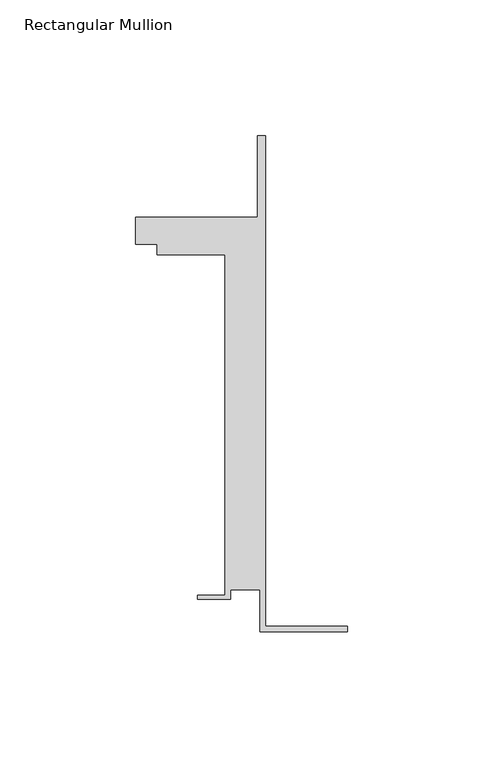
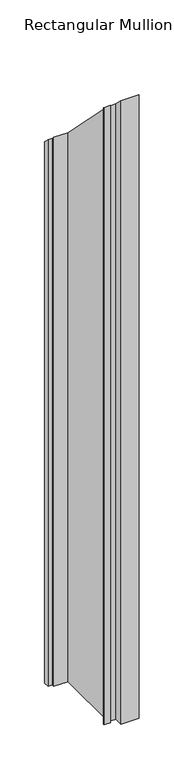
"""IFC4 building model written with IfcOpenShell, lengths in millimetres: member geometry, Rectangular Mullion."""

from ifc_helpers import new_model, si_unit, origin, place, context, project, spatial, faceted_brep, source, transform, mapped, element, save


def rectangular_mullion_876957d4(model_context):
    return source(origin(), model_context, "Body", "Brep", [
        faceted_brep([(-32.1465839, -41.25, -1118.2110969), (-32.1465839, -25.75, -1118.2110969), (-43.1465839, -25.75, -1118.2110969), (-43.1465839, -29.25, -1118.2110969), (-55.1465839, -29.25, -1118.2110969), (-55.1465839, -27.75, -1118.2110969), (-45.1465839, -27.75, -1118.2110969), (-45.1465839, 97.75, -1118.2110969), (-70.1466122, 97.75, -1118.2110969), (-70.1466122, 101.75, -1118.2110969), (-78.1466122, 101.75, -1118.2110969), (-78.1466122, 111.75, -1118.2110969), (-33.1466122, 111.75, -1118.2110969), (-33.1466122, 141.75, -1118.2110969), (-30.1465839, 141.75, -1118.2110969), (-30.1465839, -39.25, -1118.2110969), (0.0, -39.25, -1118.2110969), (0.0, -41.25, -1118.2110969), (0.0, -41.25, 41.25), (-32.1465839, -41.25, 41.25), (0.0, -39.25, 39.25), (-30.1465839, -39.25, 39.25), (-30.1465839, 141.75, -141.75), (-33.1466122, 141.75, -141.75), (-33.1466122, 111.75, -111.75), (-78.1466122, 111.75, -111.75), (-78.1466122, 101.75, -101.75), (-70.1466122, 101.75, -101.75), (-70.1466122, 97.75, -97.75), (-45.1465839, 97.75, -97.75), (-45.1465839, -27.75, 27.75), (-55.1465839, -27.75, 27.75), (-55.1465839, -29.25, 29.25), (-43.1465839, -29.25, 29.25), (-43.1465839, -25.75, 25.75), (-32.1465839, -25.75, 25.75)], [[[0, 1, 2, 3, 4, 5, 6, 7, 8, 9, 10, 11, 12, 13, 14, 15, 16, 17]], [[18, 19, 0, 17]], [[20, 18, 17, 16]], [[21, 20, 16, 15]], [[22, 21, 15, 14]], [[23, 22, 14, 13]], [[24, 23, 13, 12]], [[25, 24, 12, 11]], [[26, 25, 11, 10]], [[27, 26, 10, 9]], [[28, 27, 9, 8]], [[29, 28, 8, 7]], [[30, 29, 7, 6]], [[31, 30, 6, 5]], [[32, 31, 5, 4]], [[33, 32, 4, 3]], [[34, 33, 3, 2]], [[35, 34, 2, 1]], [[19, 35, 1, 0]], [[19, 18, 20, 21, 22, 23, 24, 25, 26, 27, 28, 29, 30, 31, 32, 33, 34, 35]]]),
    ])


if __name__ == "__main__":
    model = new_model("IFC4")
    model_context = context("Model", 3, world=origin())
    ifc_project = project(units=[si_unit("LENGTHUNIT", "METRE", prefix="MILLI")], contexts=[model_context])
    site = spatial("IfcSite", under=ifc_project)
    building = spatial("IfcBuilding", under=site)
    placement = place(None, origin())
    rectangular_mullion_shape = rectangular_mullion_876957d4(model_context)
    element("IfcMember", 1, ObjectType="Rectangular Mullion", at=placement, inside=building, context=model_context, shape_type="MappedRepresentation", body=[
        mapped(rectangular_mullion_shape, transform((0.0, 0.0, 0.0), x_axis=(1.0, 0.0, 0.0), y_axis=(0.0, 1.0, 0.0), z_axis=(0.0, 0.0, 1.0))),
    ])
    save(model, "model.ifc")
